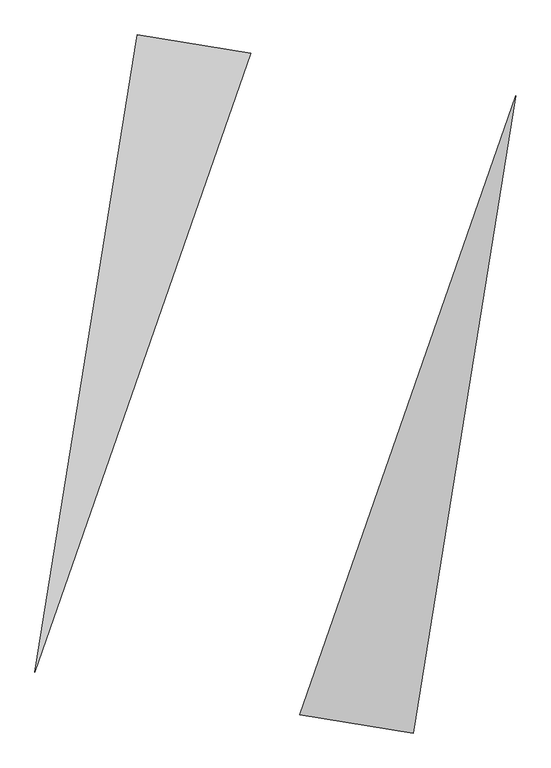
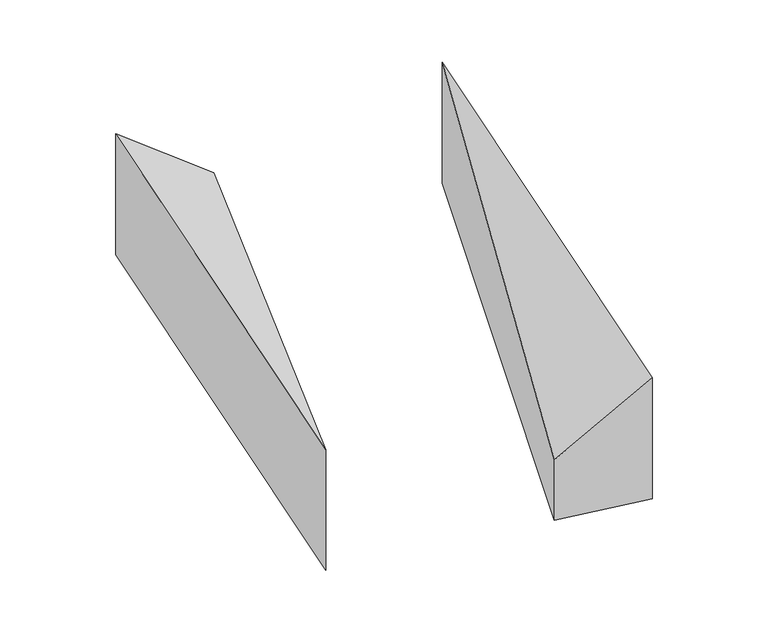
"""IFC4 building model written with IfcOpenShell, lengths in millimetres: proxy geometry."""

from ifc_helpers import new_model, si_unit, origin, place, context, project, spatial, faceted_brep, source, transform, mapped, element, save


def generic_models_892ea0a3(model_context):
    return source(origin(), model_context, "Body", "Brep", [
        faceted_brep([(-152.4961713, 2049.9682724, 0.0), (-856.0170022, 2162.7277087, 0.0), (-856.0170022, 2162.7277087, 1000.0), (-152.4961713, 2049.9682724, 500.0), (-1489.0524341, -1786.862921, 0.0), (-1489.0524341, -1786.862921, 1000.0)], [[[0, 1, 2, 3]], [[1, 4, 5, 2]], [[4, 0, 3, 5]], [[3, 2, 5]], [[0, 4, 1]]]),
        faceted_brep([(856.0170022, -2162.7277087, 0.0), (1489.0524341, 1786.862921, 0.0), (1489.0524341, 1786.862921, 1000.0), (856.0170022, -2162.7277087, 1000.0), (152.4961713, -2049.9682724, 0.0), (152.4961713, -2049.9682724, 500.0)], [[[0, 1, 2, 3]], [[1, 4, 5, 2]], [[4, 0, 3, 5]], [[2, 5, 3]], [[0, 4, 1]]]),
    ])


if __name__ == "__main__":
    model = new_model("IFC4")
    model_context = context("Model", 3, world=origin())
    ifc_project = project(units=[si_unit("LENGTHUNIT", "METRE", prefix="MILLI")], contexts=[model_context])
    site = spatial("IfcSite", under=ifc_project)
    building = spatial("IfcBuilding", under=site)
    placement = place(None, origin())
    generic_models_shape = generic_models_892ea0a3(model_context)
    element("IfcBuildingElementProxy", 1, Name="Generic Models", at=placement, inside=building, context=model_context, shape_type="MappedRepresentation", body=[
        mapped(generic_models_shape, transform((0.0, 0.0, 0.0), x_axis=(1.0, 0.0, 0.0), y_axis=(0.0, 1.0, 0.0), z_axis=(0.0, 0.0, 1.0))),
    ])
    save(model, "model.ifc")
